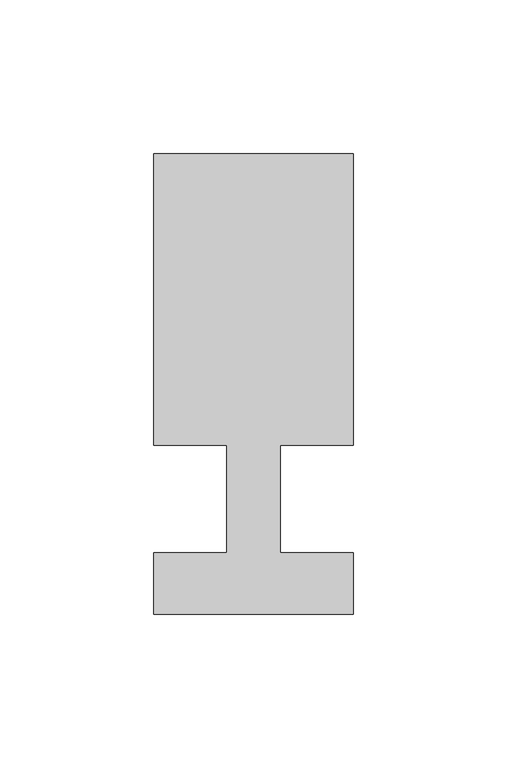
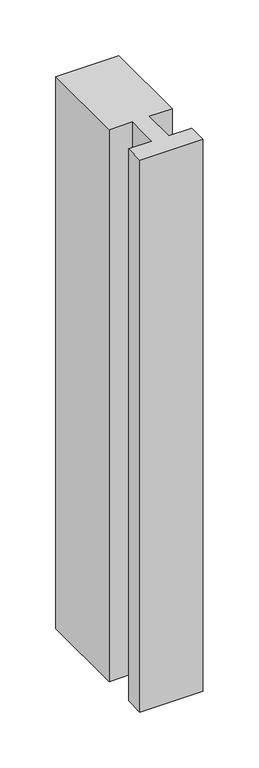
"""IFC4 building model written with IfcOpenShell, lengths in millimetres: member geometry."""

from ifc_helpers import new_model, si_unit, frame, origin, place, context, project, spatial, polyline, outline, extrude, source, transform, mapped, element, save


def member_f98a3b72(model_context):
    return source(origin(), model_context, "Body", "SweptSolid", [
        extrude(outline(polyline([(-32.5, -37.0), (-32.5, -17.0), (-8.6875, -17.0), (-8.6875, 18.0), (-32.5, 18.0), (-32.5, 113.0), (32.5, 113.0), (32.5, 18.0), (8.6875, 18.0), (8.6875, -17.0), (32.5, -17.0), (32.5, -37.0), (-32.5, -37.0)])), frame((0.0, 0.0, -602.5), z_axis=(0.0, 0.0, 1.0), x_axis=(1.0, 0.0, 0.0)), (0.0, 0.0, 1.0), 602.5),
    ])


if __name__ == "__main__":
    model = new_model("IFC4")
    model_context = context("Model", 3, world=origin())
    ifc_project = project(units=[si_unit("LENGTHUNIT", "METRE", prefix="MILLI")], contexts=[model_context])
    site = spatial("IfcSite", under=ifc_project)
    building = spatial("IfcBuilding", under=site)
    placement = place(None, origin())
    member_shape = member_f98a3b72(model_context)
    element("IfcMember", 1, at=placement, inside=building, context=model_context, shape_type="MappedRepresentation", body=[
        mapped(member_shape, transform((0.0, 0.0, 0.0), x_axis=(1.0, 0.0, 0.0), y_axis=(0.0, 1.0, 0.0), z_axis=(0.0, 0.0, 1.0))),
    ])
    save(model, "model.ifc")
